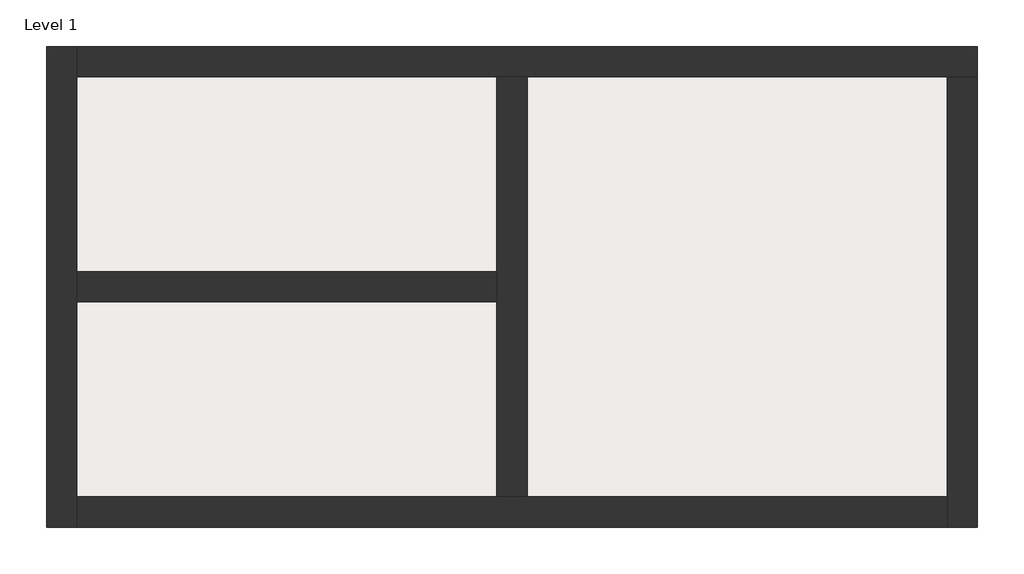
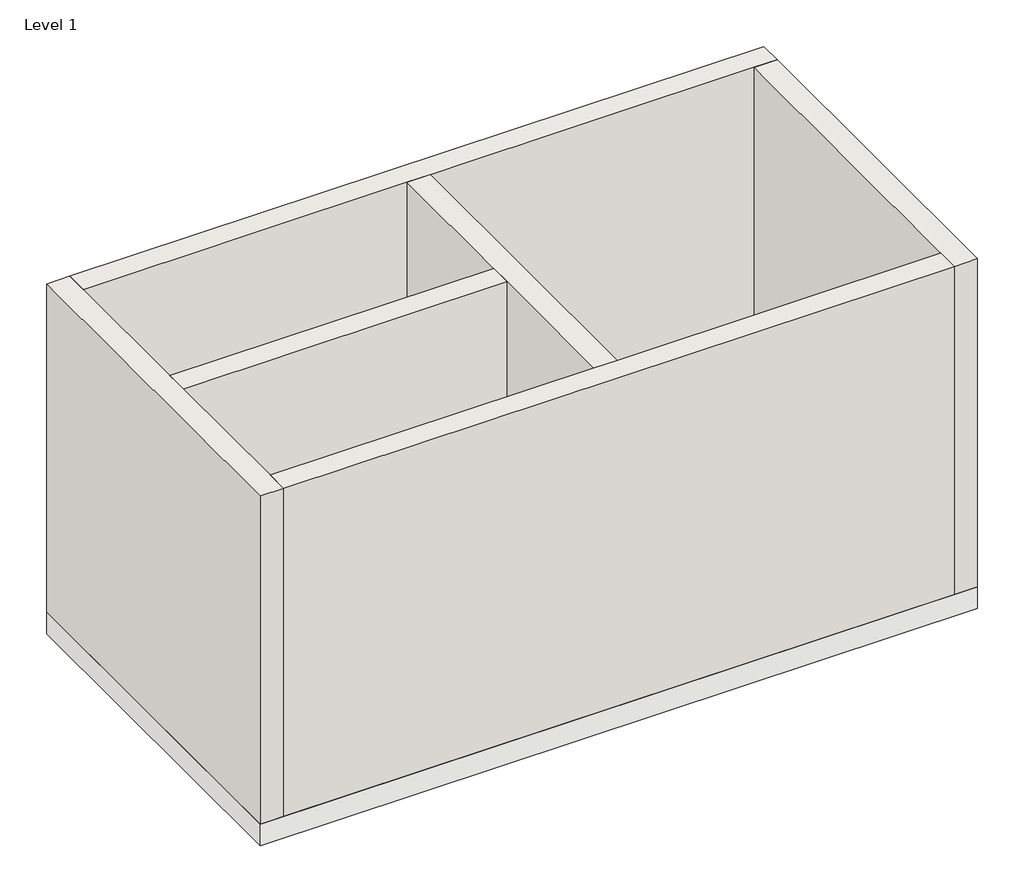
# One storey: 6 walls, 1 slab.
"""IFC4 building model written with IfcOpenShell, lengths in millimetres."""

from ifc_helpers import new_model, si_unit, frame, origin, place, context, project, spatial, polyline, outline, extrude, faceted_brep, element, save

model = new_model("IFC4")

# Units and contexts
model_context = context("Model", 3, world=origin())
ifc_project = project(units=[si_unit("LENGTHUNIT", "METRE", prefix="MILLI")], contexts=[model_context])

# Site, building, storey
site = spatial("IfcSite", under=ifc_project)
building = spatial("IfcBuilding", under=site)
storey = spatial("IfcBuildingStorey", under=building, Name="Level 1", Elevation=3000.0)

# Slab
placement = place(None, origin())
element("IfcSlab", 1, ObjectType="Floor 1", at=placement, inside=storey, context=model_context, shape_type="SweptSolid", body=[
    extrude(outline(polyline([(6100.0, 3100.0), (6100.0, -100.0), (-100.0, -100.0), (-100.0, 3100.0), (6100.0, 3100.0)])), frame((0.0, 0.0, 2800.0), z_axis=(0.0, 0.0, 1.0), x_axis=(1.0, 0.0, 0.0)), (0.0, 0.0, 1.0), 200.0),
])

# Walls
element("IfcWall", 2, ObjectType="Wall 1", at=placement, inside=storey, context=model_context, shape_type="Brep", body=[
    faceted_brep([(100.0, -100.0, 3000.0), (100.0, 100.0, 3000.0), (100.0, 1400.0, 3000.0), (100.0, 1600.0, 3000.0), (100.0, 2900.0, 3000.0), (100.0, 3100.0, 3000.0), (100.0, 3100.0, 6000.0), (100.0, 2900.0, 6000.0), (100.0, 1600.0, 6000.0), (100.0, 1400.0, 6000.0), (100.0, 100.0, 6000.0), (100.0, -100.0, 6000.0), (-100.0, -100.0, 3000.0), (-100.0, -100.0, 6000.0), (-100.0, 3100.0, 6000.0), (-100.0, 3100.0, 3000.0)], [[[0, 1, 2, 3, 4, 5, 6, 7, 8, 9, 10, 11]], [[12, 13, 14, 15]], [[5, 4, 3, 2, 1, 0, 12, 15]], [[11, 10, 9, 8, 7, 6, 14, 13]], [[6, 5, 15, 14]], [[0, 11, 13, 12]]]),
])
element("IfcWall", 3, ObjectType="Wall 1", at=placement, inside=storey, context=model_context, shape_type="Brep", body=[
    faceted_brep([(100.0, 2900.0, 3000.0), (2900.0, 2900.0, 3000.0), (3100.0, 2900.0, 3000.0), (5900.0, 2900.0, 3000.0), (6100.0, 2900.0, 3000.0), (6100.0, 2900.0, 6000.0), (5900.0, 2900.0, 6000.0), (3100.0, 2900.0, 6000.0), (2900.0, 2900.0, 6000.0), (100.0, 2900.0, 6000.0), (100.0, 3100.0, 3000.0), (100.0, 3100.0, 6000.0), (6100.0, 3100.0, 6000.0), (6100.0, 3100.0, 3000.0)], [[[0, 1, 2, 3, 4, 5, 6, 7, 8, 9]], [[10, 11, 12, 13]], [[4, 3, 2, 1, 0, 10, 13]], [[9, 8, 7, 6, 5, 12, 11]], [[0, 9, 11, 10]], [[5, 4, 13, 12]]]),
])
element("IfcWall", 4, ObjectType="Wall 1", at=placement, inside=storey, context=model_context, shape_type="Brep", body=[
    faceted_brep([(5900.0, 2900.0, 3000.0), (5900.0, 100.0, 3000.0), (5900.0, -100.0, 3000.0), (5900.0, -100.0, 6000.0), (5900.0, 100.0, 6000.0), (5900.0, 2900.0, 6000.0), (6100.0, 2900.0, 3000.0), (6100.0, 2900.0, 6000.0), (6100.0, -100.0, 6000.0), (6100.0, -100.0, 3000.0)], [[[0, 1, 2, 3, 4, 5]], [[6, 7, 8, 9]], [[2, 1, 0, 6, 9]], [[5, 4, 3, 8, 7]], [[0, 5, 7, 6]], [[3, 2, 9, 8]]]),
])
element("IfcWall", 5, ObjectType="Wall 1", at=placement, inside=storey, context=model_context, shape_type="Brep", body=[
    faceted_brep([(5900.0, 100.0, 3000.0), (3100.0, 100.0, 3000.0), (2900.0, 100.0, 3000.0), (100.0, 100.0, 3000.0), (100.0, 100.0, 6000.0), (2900.0, 100.0, 6000.0), (3100.0, 100.0, 6000.0), (5900.0, 100.0, 6000.0), (5900.0, -100.0, 3000.0), (5900.0, -100.0, 6000.0), (100.0, -100.0, 6000.0), (100.0, -100.0, 3000.0)], [[[0, 1, 2, 3, 4, 5, 6, 7]], [[8, 9, 10, 11]], [[3, 2, 1, 0, 8, 11]], [[7, 6, 5, 4, 10, 9]], [[4, 3, 11, 10]], [[0, 7, 9, 8]]]),
])
element("IfcWall", 6, ObjectType="Wall 1", at=placement, inside=storey, context=model_context, shape_type="Brep", body=[
    faceted_brep([(2900.0, 2900.0, 3000.0), (2900.0, 1600.0, 3000.0), (2900.0, 1400.0, 3000.0), (2900.0, 100.0, 3000.0), (2900.0, 100.0, 6000.0), (2900.0, 1400.0, 6000.0), (2900.0, 1600.0, 6000.0), (2900.0, 2900.0, 6000.0), (3100.0, 2900.0, 3000.0), (3100.0, 2900.0, 6000.0), (3100.0, 100.0, 6000.0), (3100.0, 100.0, 3000.0)], [[[0, 1, 2, 3, 4, 5, 6, 7]], [[8, 9, 10, 11]], [[3, 2, 1, 0, 8, 11]], [[7, 6, 5, 4, 10, 9]], [[0, 7, 9, 8]], [[4, 3, 11, 10]]]),
])
element("IfcWall", 7, ObjectType="Wall 1", at=placement, inside=storey, context=model_context, shape_type="SweptSolid", body=[
    extrude(outline(polyline([(100.0, 1600.0), (2900.0, 1600.0), (2900.0, 1400.0), (100.0, 1400.0), (100.0, 1600.0)])), frame((0.0, 0.0, 3000.0), z_axis=(0.0, 0.0, 1.0), x_axis=(1.0, 0.0, 0.0)), (0.0, 0.0, 1.0), 3000.0),
])

save(model, "model.ifc")
